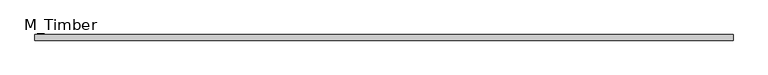
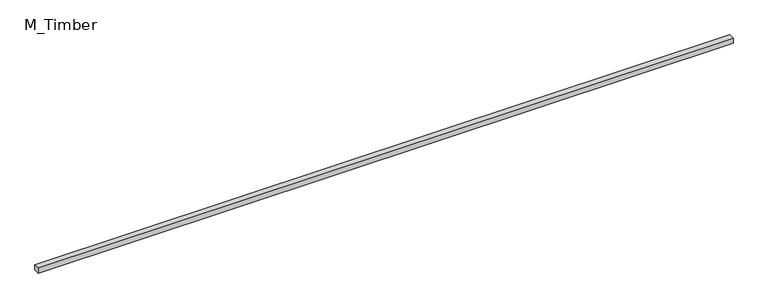
"""IFC4 building model written with IfcOpenShell, lengths in millimetres: beam geometry, M_Timber."""

from ifc_helpers import new_model, si_unit, frame, origin, place, context, project, spatial, polyline, outline, extrude, source, transform, mapped, element, save


def m_timber_676b0c8c(model_context):
    return source(origin(), model_context, "Body", "SweptSolid", [
        extrude(outline(polyline([(2485.3917752, 20.0), (2485.3917752, -20.0), (-2485.3917752, -20.0), (-2485.3917752, 20.0), (2485.3917752, 20.0)])), frame((0.0, 0.0, -20.0), z_axis=(0.0, 0.0, 1.0), x_axis=(1.0, 0.0, 0.0)), (0.0, 0.0, 1.0), 40.0),
    ])


if __name__ == "__main__":
    model = new_model("IFC4")
    model_context = context("Model", 3, world=origin())
    ifc_project = project(units=[si_unit("LENGTHUNIT", "METRE", prefix="MILLI")], contexts=[model_context])
    site = spatial("IfcSite", under=ifc_project)
    building = spatial("IfcBuilding", under=site)
    placement = place(None, origin())
    m_timber_shape = m_timber_676b0c8c(model_context)
    element("IfcBeam", 1, ObjectType="M_Timber", at=placement, inside=building, context=model_context, shape_type="MappedRepresentation", body=[
        mapped(m_timber_shape, transform((0.0, 0.0, 0.0), x_axis=(1.0, 0.0, 0.0), y_axis=(0.0, 1.0, 0.0), z_axis=(0.0, 0.0, 1.0))),
    ])
    save(model, "model.ifc")
